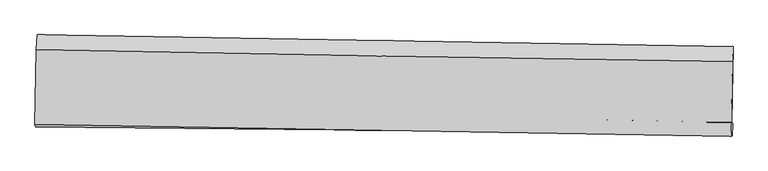
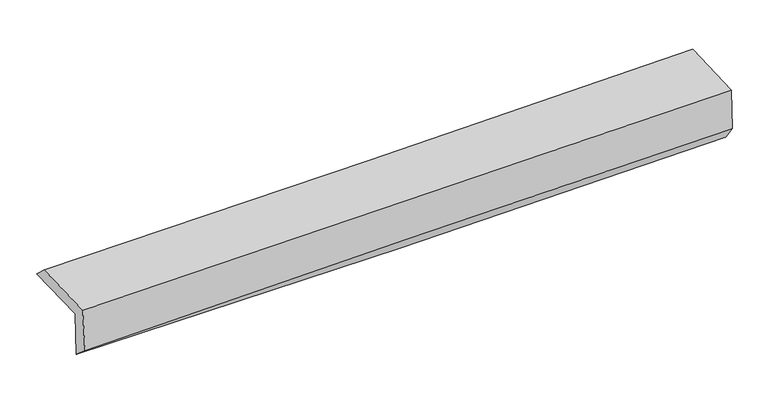
"""IFC4 building model written with IfcOpenShell, lengths in millimetres: proxy geometry."""

from ifc_helpers import new_model, si_unit, frame, origin, place, context, project, spatial, source, transform, mapped, element, save
from ifc_brep_helpers import plane_surface, spline_curve, spline_surface, advanced_brep


def generic_models_b0ddc7fc(model_context):
    return source(origin(), model_context, "Body", "AdvancedBrep", [
        advanced_brep(
        [(-3030.168732, -1749.4391207, 1974.7866853), (-3016.9764581, -1099.5764655, 1976.9064314), (3018.155503, -1201.7327428, 2119.348961), (3006.2685566, -1859.9383408, 2117.2347892), (-3021.1663884, -1748.3011567, 1569.8883489), (3015.5508433, -1868.7467094, 1691.5869411), (-3027.0968732, -1900.0992212, 1697.8621298), (3010.0815541, -1979.8904929, 1847.3013188), (-3035.3704487, -1878.1703356, 2091.0885484), (3001.4910591, -1980.9763961, 2233.675942), (-3022.1500822, -1226.9238148, 2093.2128084), (3013.0529003, -1334.4408997, 2240.9074547)],
        [
            (0, 1),
            (1, 2, spline_curve(3, [(-3016.9764581, -1099.5764655, 1976.9064314), (-2010.883819123, -1116.330377832, 1982.776269331), (-1004.982868069, -1133.219100933, 1997.578377024), (1006.727897189, -1167.271114774, 2045.054028524), (2012.537599749, -1184.434484342, 2077.732763989), (3018.155503, -1201.7327428, 2119.348961)], [4, 2, 4], [0.0, 9.904934634045764, 19.812747449137174])),
            (2, 3),
            (3, 0, spline_curve(3, [(3006.2685566, -1859.9383408, 2117.2347892), (2000.787135782, -1839.381314197, 2062.354057638), (994.936855247, -1819.893349942, 2023.043553707), (-1017.209122105, -1783.060897677, 1975.569897351), (-2023.504604378, -1765.715788519, 1967.397699811), (-3030.168732, -1749.4391207, 1974.7866853)], [4, 2, 4], [0.0, 9.90781281509141, 19.812747449137174])),
            (4, 0),
            (3, 5),
            (5, 4, spline_curve(3, [(3015.5508433, -1868.7467094, 1691.5869411), (2009.766709952, -1843.236846353, 1654.400763454), (1003.741759556, -1820.443722068, 1625.665879465), (-1008.497457269, -1780.296782644, 1585.104591239), (-2014.711584512, -1762.941389525, 1573.273278093), (-3021.1663884, -1748.3011567, 1569.8883489)], [4, 2, 4], [0.0, 9.908986145624752, 19.815093769355908])),
            (6, 4),
            (5, 7),
            (7, 6, spline_curve(3, [(3010.0815541, -1979.8904929, 1847.3013188), (2003.932490131, -1958.893690527, 1821.36833968), (997.686657333, -1941.74560993, 1795.946849688), (-1014.706207926, -1915.150755082, 1746.13408377), (-2020.853184264, -1905.701745139, 1721.74251094), (-3027.0968732, -1900.0992212, 1697.8621298)], [4, 2, 4], [0.0, 9.908577270705864, 19.814276138294705])),
            (8, 6),
            (7, 9),
            (9, 8, spline_curve(3, [(3001.4910591, -1980.9763961, 2233.675942), (1995.287010997, -1963.817334696, 2206.696803959), (989.040107834, -1946.669389156, 2181.323459479), (-1023.247086377, -1912.400709026, 2133.795260902), (-2029.287352256, -1895.279967389, 2111.639474362), (-3035.3704487, -1878.1703356, 2091.0885484)], [4, 2, 4], [0.0, 9.908743375804535, 19.814608300239165])),
            (10, 8),
            (9, 11),
            (11, 10, spline_curve(3, [(3013.0529003, -1334.4408997, 2240.9074547), (2007.086189533, -1319.036127338, 2211.34985425), (1001.096188298, -1302.372500036, 2184.261737754), (-1010.638152754, -1266.532740176, 2135.031623463), (-2016.382478983, -1247.357339624, 2112.888191504), (-3022.1500822, -1226.9238148, 2093.2128084)], [4, 2, 4], [0.0, 9.907457233874783, 19.812036389998884])),
            (1, 10),
            (11, 2),
        ],
        [
            spline_surface(3, 3, [[(-3030.168732, -1749.4391207, 1974.7866853), (-2023.504604372, -1765.715788362, 1967.397699964), (-1017.209121996, -1783.060897648, 1975.569897314), (994.936855139, -1819.893349971, 2023.043553744), (2000.78713564, -1839.381314085, 2062.354057701), (3006.2685566, -1859.9383408, 2117.2347892)], [(-3025.77130736, -1532.818235643, 1975.493267333), (-2019.297675896, -1549.253984854, 1972.523889789), (-1013.133704001, -1566.446965383, 1982.906057253), (998.867202466, -1602.352604949, 2030.380378654), (2004.703957066, -1621.06570417, 2067.480293127), (3010.230872091, -1640.5364748, 2117.939513122)], [(-3021.37388274, -1316.197350557, 1976.199849367), (-2015.090747439, -1332.792181316, 1977.650079614), (-1009.058286001, -1349.833033094, 1990.242217163), (1002.797549798, -1384.811859901, 2037.717203535), (2008.620778416, -1402.750094256, 2072.606528586), (3014.193187509, -1421.1346088, 2118.644237078)], [(-3016.9764581, -1099.5764655, 1976.9064314), (-2010.883818963, -1116.330377807, 1982.776269438), (-1004.982868006, -1133.219100829, 1997.578377102), (1006.727897125, -1167.271114878, 2045.054028446), (2012.537599842, -1184.434484342, 2077.732764012), (3018.155503, -1201.7327428, 2119.348961)]], [4, 4], [4, 2, 4], [0.0, 2.1381721863069596], [0.0, 9.904934634045764, 19.812747449137174]),
            spline_surface(3, 3, [[(-3021.1663884, -1748.3011567, 1569.8883489), (-2014.711584565, -1762.94138942, 1573.273277942), (-1008.497457414, -1780.296782665, 1585.104591361), (1003.741759701, -1820.443722047, 1625.665879343), (2009.766709805, -1843.236846388, 1654.400763314), (3015.5508433, -1868.7467094, 1691.5869411)], [(-3024.167169618, -1748.680478023, 1704.854461045), (-2017.642591186, -1763.866189057, 1704.648085294), (-1011.401345605, -1781.218154328, 1715.259693341), (1000.806791516, -1820.260264691, 1758.125104139), (2006.773518404, -1841.951668936, 1790.385194778), (3012.45674772, -1865.810586516, 1833.469557135)], [(-3027.167950782, -1749.059799377, 1839.820573155), (-2020.573597751, -1764.790988725, 1836.022892612), (-1014.305233805, -1782.139525984, 1845.414795334), (997.871823323, -1820.076807328, 1890.584328948), (2003.780327041, -1840.666491536, 1926.369626237), (3009.36265218, -1862.874463684, 1975.352173165)], [(-3030.168732, -1749.4391207, 1974.7866853), (-2023.504604372, -1765.715788362, 1967.397699964), (-1017.209121996, -1783.060897648, 1975.569897314), (994.936855139, -1819.893349971, 2023.043553744), (2000.78713564, -1839.381314085, 2062.354057701), (3006.2685566, -1859.9383408, 2117.2347892)]], [4, 4], [4, 2, 4], [0.0, 1.2927211290688854], [0.0, 9.906107623731156, 19.815093769355908]),
            spline_surface(3, 3, [[(-3027.0968732, -1900.0992212, 1697.8621298), (-2020.853184141, -1905.70174526, 1721.742510877), (-1014.706207962, -1915.15075509, 1746.134083793), (997.686657369, -1941.745609922, 1795.946849665), (2003.932490256, -1958.893690623, 1821.368339749), (3010.0815541, -1979.8904929, 1847.3013188)], [(-3025.120044917, -1849.499866386, 1655.20420282), (-2018.805984266, -1858.11496, 1672.252766552), (-1012.636624449, -1870.199430926, 1692.457586302), (999.70502481, -1901.311647276, 1739.18652621), (2005.877230095, -1920.341409203, 1765.71248093), (3011.904650489, -1942.842565058, 1795.396526226)], [(-3023.143216683, -1798.900511514, 1612.54627588), (-2016.75878444, -1810.528174681, 1622.763022267), (-1010.567040927, -1825.248106828, 1638.781088852), (1001.72339226, -1860.877684694, 1682.426202798), (2007.821969966, -1881.789127808, 1710.056622133), (3013.727746911, -1905.794637242, 1743.491733674)], [(-3021.1663884, -1748.3011567, 1569.8883489), (-2014.711584565, -1762.94138942, 1573.273277942), (-1008.497457414, -1780.296782665, 1585.104591361), (1003.741759701, -1820.443722047, 1625.665879343), (2009.766709805, -1843.236846388, 1654.400763314), (3015.5508433, -1868.7467094, 1691.5869411)]], [4, 4], [4, 2, 4], [0.0, 0.6872803849270127], [0.0, 9.90569886758884, 19.814276138294705]),
            spline_surface(3, 3, [[(-3035.3704487, -1878.1703356, 2091.0885484), (-2029.287352295, -1895.279967396, 2111.639474476), (-1023.247086361, -1912.400708903, 2133.795260986), (989.040107818, -1946.669389279, 2181.323459395), (1995.287011116, -1963.817334604, 2206.696804032), (3001.4910591, -1980.9763961, 2233.675942)], [(-3032.612590197, -1885.479964116, 1960.013075551), (-2026.475962907, -1898.753893333, 1981.673819961), (-1020.400126881, -1913.317390986, 2004.574868603), (991.922291016, -1945.028129515, 2052.864589499), (1998.168837499, -1962.176119944, 2078.253982595), (3004.354557436, -1980.614428366, 2104.884400924)], [(-3029.854731703, -1892.789592684, 1828.937602649), (-2023.664573529, -1902.227819323, 1851.708165392), (-1017.553167442, -1914.234073007, 1875.354476177), (994.804474171, -1943.386869687, 1924.405719561), (2001.050663874, -1960.534905284, 1949.811161186), (3007.218055764, -1980.252460634, 1976.092859876)], [(-3027.0968732, -1900.0992212, 1697.8621298), (-2020.853184141, -1905.70174526, 1721.742510877), (-1014.706207962, -1915.15075509, 1746.134083793), (997.686657369, -1941.745609922, 1795.946849665), (2003.932490256, -1958.893690623, 1821.368339749), (3010.0815541, -1979.8904929, 1847.3013188)]], [4, 4], [4, 2, 4], [0.0, 1.2684239362519656], [0.0, 9.90586492443463, 19.814608300239165]),
            spline_surface(3, 3, [[(-3022.1500822, -1226.9238148, 2093.2128084), (-2016.382478899, -1247.357339629, 2112.888191362), (-1010.638152748, -1266.532740309, 2135.03162349), (1001.096188293, -1302.372499902, 2184.261737727), (2007.08618962, -1319.036127494, 2211.349854341), (3013.0529003, -1334.4408997, 2240.9074547)], [(-3026.556871041, -1444.00598841, 2092.504721719), (-2020.684103372, -1463.331548895, 2112.471952386), (-1014.841130636, -1481.822063154, 2134.61950265), (997.077494785, -1517.138129675, 2183.28231161), (2003.153130117, -1533.963196528, 2209.798837571), (3009.198953231, -1549.952731831, 2238.496950466)], [(-3030.963659859, -1661.08816199, 2091.796635081), (-2024.985727821, -1679.30575813, 2112.055713453), (-1019.044108474, -1697.111386058, 2134.207381827), (993.058801326, -1731.903759506, 2182.302885511), (1999.220070619, -1748.89026557, 2208.247820802), (3005.345006169, -1765.464563969, 2236.086446234)], [(-3035.3704487, -1878.1703356, 2091.0885484), (-2029.287352295, -1895.279967396, 2111.639474476), (-1023.247086361, -1912.400708903, 2133.795260986), (989.040107818, -1946.669389279, 2181.323459395), (1995.287011116, -1963.817334604, 2206.696804032), (3001.4910591, -1980.9763961, 2233.675942)]], [4, 4], [4, 2, 4], [0.0, 2.1168092205788853], [0.0, 9.9045791561241, 19.812036389998884]),
            spline_surface(3, 3, [[(-3016.9764581, -1099.5764655, 1976.9064314), (-2010.883818963, -1116.330377807, 1982.776269438), (-1004.982868006, -1133.219100829, 1997.578377102), (1006.727897125, -1167.271114878, 2045.054028446), (2012.537599842, -1184.434484342, 2077.732764012), (3018.155503, -1201.7327428, 2119.348961)], [(-3018.700999466, -1142.025581922, 2015.675223733), (-2012.716705608, -1160.006031737, 2026.146910079), (-1006.867962916, -1177.656980665, 2043.396125898), (1004.850660852, -1212.304909896, 2091.456598207), (2010.720463099, -1229.301698755, 2122.271794148), (3016.454635432, -1245.968795129, 2159.868458926)], [(-3020.425540834, -1184.474698378, 2054.444016067), (-2014.549592254, -1203.681685699, 2069.517550722), (-1008.753057838, -1222.094860473, 2089.213874694), (1002.973424566, -1257.338704884, 2137.859167966), (2008.903326362, -1274.168913081, 2166.810824205), (3014.753767868, -1290.204847371, 2200.387956774)], [(-3022.1500822, -1226.9238148, 2093.2128084), (-2016.382478899, -1247.357339629, 2112.888191362), (-1010.638152748, -1266.532740309, 2135.03162349), (1001.096188293, -1302.372499902, 2184.261737727), (2007.08618962, -1319.036127494, 2211.349854341), (3013.0529003, -1334.4408997, 2240.9074547)]], [4, 4], [4, 2, 4], [0.0, 0.6326065644255483], [0.0, 9.903282978538487, 19.809443658183703]),
            plane_surface(frame((3010.7667361, -1704.287597, 2041.6759011), z_axis=(0.9995898535151516, -0.01812344012865238, 0.02217353529460652), x_axis=(0.022228009024924108, 0.0028097875763339747, -0.9997489788484727))),
            plane_surface(frame((-3025.4881638, -1600.4183524, 1900.6241587), z_axis=(-0.9995468952842534, 0.02036320017676753, -0.0221662853489494), x_axis=(-0.020295806029623366, -0.999788700262379, -0.0032611478456409907))),
        ],
        [
            (0, [[1, 2, 3, 4]]),
            (1, [[5, -4, 6, 7]]),
            (2, [[8, -7, 9, 10]]),
            (3, [[11, -10, 12, 13]]),
            (4, [[14, -13, 15, 16]]),
            (5, [[17, -16, 18, -2]]),
            (6, [[-12, -9, -6, -3, -18, -15]]),
            (7, [[-1, -5, -8, -11, -14, -17]]),
        ],
    ),
    ])


if __name__ == "__main__":
    model = new_model("IFC4")
    model_context = context("Model", 3, world=origin())
    ifc_project = project(units=[si_unit("LENGTHUNIT", "METRE", prefix="MILLI")], contexts=[model_context])
    site = spatial("IfcSite", under=ifc_project)
    building = spatial("IfcBuilding", under=site)
    placement = place(None, origin())
    generic_models_shape = generic_models_b0ddc7fc(model_context)
    element("IfcBuildingElementProxy", 1, Name="Generic Models", at=placement, inside=building, context=model_context, shape_type="MappedRepresentation", body=[
        mapped(generic_models_shape, transform((0.0, 0.0, 0.0), x_axis=(1.0, 0.0, 0.0), y_axis=(0.0, 1.0, 0.0), z_axis=(0.0, 0.0, 1.0))),
    ])
    save(model, "model.ifc")
